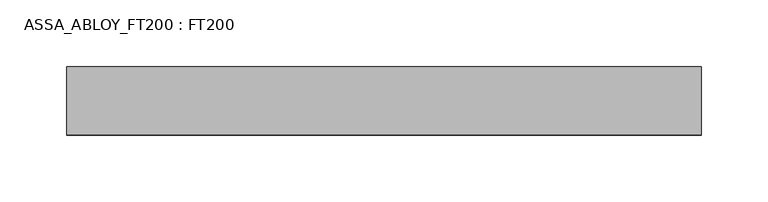
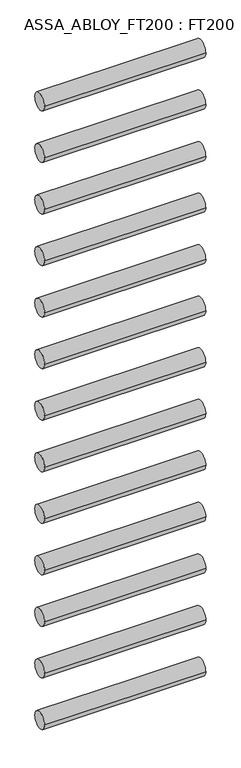
"""IFC4 building model written with IfcOpenShell, lengths in millimetres: proxy geometry, ASSA_ABLOY_FT200 : FT200."""

from ifc_helpers import new_model, si_unit, point, frame, frame_2d, origin, place, context, project, spatial, circle_curve, trimmed, segment, composite_curve, outline, extrude, source, transform, mapped, element, save


def assa_abloy_ft200_ft200_aa55d74f(model_context):
    return source(origin(), model_context, "Body", "SweptSolid", [
        extrude(outline(composite_curve([segment(trimmed(circle_curve(frame_2d((0.0, 143.0)), 25.5), [point((-25.5, 143.0))], [point((25.5, 143.0))], False, "CARTESIAN"), True, "CONTINUOUS"), segment(trimmed(circle_curve(frame_2d((0.0, 143.0)), 25.5), [point((25.5, 143.0))], [point((-25.5, 143.0))], False, "CARTESIAN"), True, "CONTINUOUS")], self_intersect=False)), frame((184.2, 0.0, 0.0), z_axis=(1.0, 0.0, 0.0), x_axis=(0.0, 1.0, 0.0)), (0.0, 0.0, 1.0), 476.3),
        extrude(outline(composite_curve([segment(trimmed(circle_curve(frame_2d((0.0, 304.0)), 25.5), [point((-25.5, 304.0))], [point((25.5, 304.0))], False, "CARTESIAN"), True, "CONTINUOUS"), segment(trimmed(circle_curve(frame_2d((0.0, 304.0)), 25.5), [point((25.5, 304.0))], [point((-25.5, 304.0))], False, "CARTESIAN"), True, "CONTINUOUS")], self_intersect=False)), frame((184.2, 0.0, 0.0), z_axis=(1.0, 0.0, 0.0), x_axis=(0.0, 1.0, 0.0)), (0.0, 0.0, 1.0), 476.3),
        extrude(outline(composite_curve([segment(trimmed(circle_curve(frame_2d((0.0, 465.0)), 25.5), [point((-25.5, 465.0))], [point((25.5, 465.0))], False, "CARTESIAN"), True, "CONTINUOUS"), segment(trimmed(circle_curve(frame_2d((0.0, 465.0)), 25.5), [point((25.5, 465.0))], [point((-25.5, 465.0))], False, "CARTESIAN"), True, "CONTINUOUS")], self_intersect=False)), frame((184.2, 0.0, 0.0), z_axis=(1.0, 0.0, 0.0), x_axis=(0.0, 1.0, 0.0)), (0.0, 0.0, 1.0), 476.3),
        extrude(outline(composite_curve([segment(trimmed(circle_curve(frame_2d((0.0, 626.0)), 25.5), [point((-25.5, 626.0))], [point((25.5, 626.0))], False, "CARTESIAN"), True, "CONTINUOUS"), segment(trimmed(circle_curve(frame_2d((0.0, 626.0)), 25.5), [point((25.5, 626.0))], [point((-25.5, 626.0))], False, "CARTESIAN"), True, "CONTINUOUS")], self_intersect=False)), frame((184.2, 0.0, 0.0), z_axis=(1.0, 0.0, 0.0), x_axis=(0.0, 1.0, 0.0)), (0.0, 0.0, 1.0), 476.3),
        extrude(outline(composite_curve([segment(trimmed(circle_curve(frame_2d((0.0, 787.0)), 25.5), [point((-25.5, 787.0))], [point((25.5, 787.0))], False, "CARTESIAN"), True, "CONTINUOUS"), segment(trimmed(circle_curve(frame_2d((0.0, 787.0)), 25.5), [point((25.5, 787.0))], [point((-25.5, 787.0))], False, "CARTESIAN"), True, "CONTINUOUS")], self_intersect=False)), frame((184.2, 0.0, 0.0), z_axis=(1.0, 0.0, 0.0), x_axis=(0.0, 1.0, 0.0)), (0.0, 0.0, 1.0), 476.3),
        extrude(outline(composite_curve([segment(trimmed(circle_curve(frame_2d((0.0, 948.0)), 25.5), [point((-25.5, 948.0))], [point((25.5, 948.0))], False, "CARTESIAN"), True, "CONTINUOUS"), segment(trimmed(circle_curve(frame_2d((0.0, 948.0)), 25.5), [point((25.5, 948.0))], [point((-25.5, 948.0))], False, "CARTESIAN"), True, "CONTINUOUS")], self_intersect=False)), frame((184.2, 0.0, 0.0), z_axis=(1.0, 0.0, 0.0), x_axis=(0.0, 1.0, 0.0)), (0.0, 0.0, 1.0), 476.3),
        extrude(outline(composite_curve([segment(trimmed(circle_curve(frame_2d((0.0, 1109.0)), 25.5), [point((-25.5, 1109.0))], [point((25.5, 1109.0))], False, "CARTESIAN"), True, "CONTINUOUS"), segment(trimmed(circle_curve(frame_2d((0.0, 1109.0)), 25.5), [point((25.5, 1109.0))], [point((-25.5, 1109.0))], False, "CARTESIAN"), True, "CONTINUOUS")], self_intersect=False)), frame((184.2, 0.0, 0.0), z_axis=(1.0, 0.0, 0.0), x_axis=(0.0, 1.0, 0.0)), (0.0, 0.0, 1.0), 476.3),
        extrude(outline(composite_curve([segment(trimmed(circle_curve(frame_2d((0.0, 1270.0)), 25.5), [point((-25.5, 1270.0))], [point((25.5, 1270.0))], False, "CARTESIAN"), True, "CONTINUOUS"), segment(trimmed(circle_curve(frame_2d((0.0, 1270.0)), 25.5), [point((25.5, 1270.0))], [point((-25.5, 1270.0))], False, "CARTESIAN"), True, "CONTINUOUS")], self_intersect=False)), frame((184.2, 0.0, 0.0), z_axis=(1.0, 0.0, 0.0), x_axis=(0.0, 1.0, 0.0)), (0.0, 0.0, 1.0), 476.3),
        extrude(outline(composite_curve([segment(trimmed(circle_curve(frame_2d((0.0, 1431.0)), 25.5), [point((-25.5, 1431.0))], [point((25.5, 1431.0))], False, "CARTESIAN"), True, "CONTINUOUS"), segment(trimmed(circle_curve(frame_2d((0.0, 1431.0)), 25.5), [point((25.5, 1431.0))], [point((-25.5, 1431.0))], False, "CARTESIAN"), True, "CONTINUOUS")], self_intersect=False)), frame((184.2, 0.0, 0.0), z_axis=(1.0, 0.0, 0.0), x_axis=(0.0, 1.0, 0.0)), (0.0, 0.0, 1.0), 476.3),
        extrude(outline(composite_curve([segment(trimmed(circle_curve(frame_2d((0.0, 1592.0)), 25.5), [point((-25.5, 1592.0))], [point((25.5, 1592.0))], False, "CARTESIAN"), True, "CONTINUOUS"), segment(trimmed(circle_curve(frame_2d((0.0, 1592.0)), 25.5), [point((25.5, 1592.0))], [point((-25.5, 1592.0))], False, "CARTESIAN"), True, "CONTINUOUS")], self_intersect=False)), frame((184.2, 0.0, 0.0), z_axis=(1.0, 0.0, 0.0), x_axis=(0.0, 1.0, 0.0)), (0.0, 0.0, 1.0), 476.3),
        extrude(outline(composite_curve([segment(trimmed(circle_curve(frame_2d((0.0, 1753.0)), 25.5), [point((-25.5, 1753.0))], [point((25.5, 1753.0))], False, "CARTESIAN"), True, "CONTINUOUS"), segment(trimmed(circle_curve(frame_2d((0.0, 1753.0)), 25.5), [point((25.5, 1753.0))], [point((-25.5, 1753.0))], False, "CARTESIAN"), True, "CONTINUOUS")], self_intersect=False)), frame((184.2, 0.0, 0.0), z_axis=(1.0, 0.0, 0.0), x_axis=(0.0, 1.0, 0.0)), (0.0, 0.0, 1.0), 476.3),
        extrude(outline(composite_curve([segment(trimmed(circle_curve(frame_2d((0.0, 1914.0)), 25.5), [point((-25.5, 1914.0))], [point((25.5, 1914.0))], False, "CARTESIAN"), True, "CONTINUOUS"), segment(trimmed(circle_curve(frame_2d((0.0, 1914.0)), 25.5), [point((25.5, 1914.0))], [point((-25.5, 1914.0))], False, "CARTESIAN"), True, "CONTINUOUS")], self_intersect=False)), frame((184.2, 0.0, 0.0), z_axis=(1.0, 0.0, 0.0), x_axis=(0.0, 1.0, 0.0)), (0.0, 0.0, 1.0), 476.3),
        extrude(outline(composite_curve([segment(trimmed(circle_curve(frame_2d((0.0, 2075.0)), 25.5), [point((-25.5, 2075.0))], [point((25.5, 2075.0))], False, "CARTESIAN"), True, "CONTINUOUS"), segment(trimmed(circle_curve(frame_2d((0.0, 2075.0)), 25.5), [point((25.5, 2075.0))], [point((-25.5, 2075.0))], False, "CARTESIAN"), True, "CONTINUOUS")], self_intersect=False)), frame((184.2, 0.0, 0.0), z_axis=(1.0, 0.0, 0.0), x_axis=(0.0, 1.0, 0.0)), (0.0, 0.0, 1.0), 476.3),
    ])


if __name__ == "__main__":
    model = new_model("IFC4")
    model_context = context("Model", 3, world=origin())
    ifc_project = project(units=[si_unit("LENGTHUNIT", "METRE", prefix="MILLI")], contexts=[model_context])
    site = spatial("IfcSite", under=ifc_project)
    building = spatial("IfcBuilding", under=site)
    placement = place(None, origin())
    assa_abloy_ft200_ft200_shape = assa_abloy_ft200_ft200_aa55d74f(model_context)
    element("IfcBuildingElementProxy", 1, Name="ASSA_ABLOY_FT200 : FT200", ObjectType="ASSA_ABLOY_FT200 : FT200", at=placement, inside=building, context=model_context, shape_type="MappedRepresentation", body=[
        mapped(assa_abloy_ft200_ft200_shape, transform((0.0, 0.0, 0.0), x_axis=(1.0, 0.0, 0.0), y_axis=(0.0, 1.0, 0.0), z_axis=(0.0, 0.0, 1.0))),
    ])
    save(model, "model.ifc")
